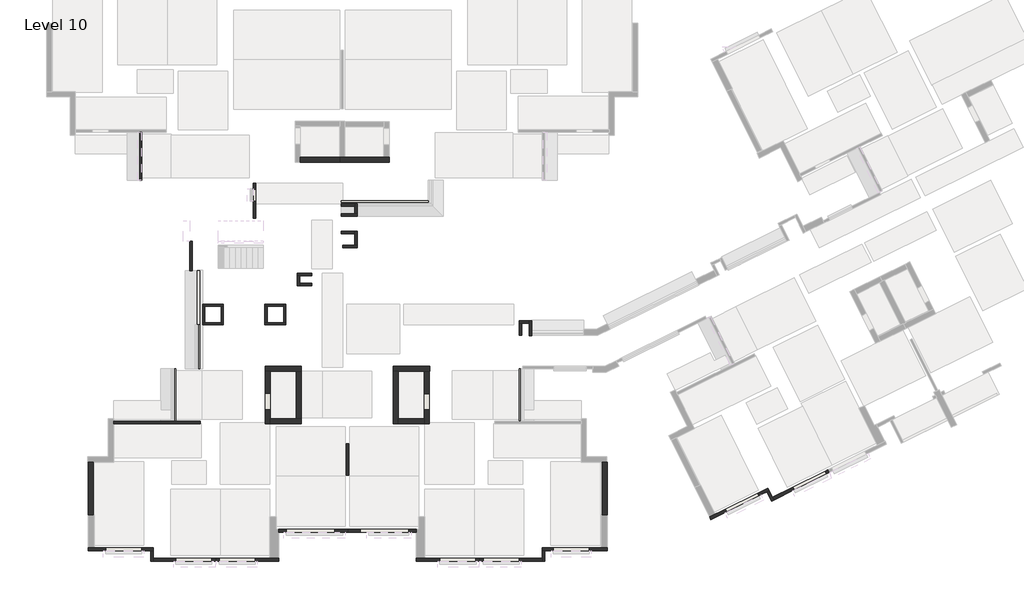
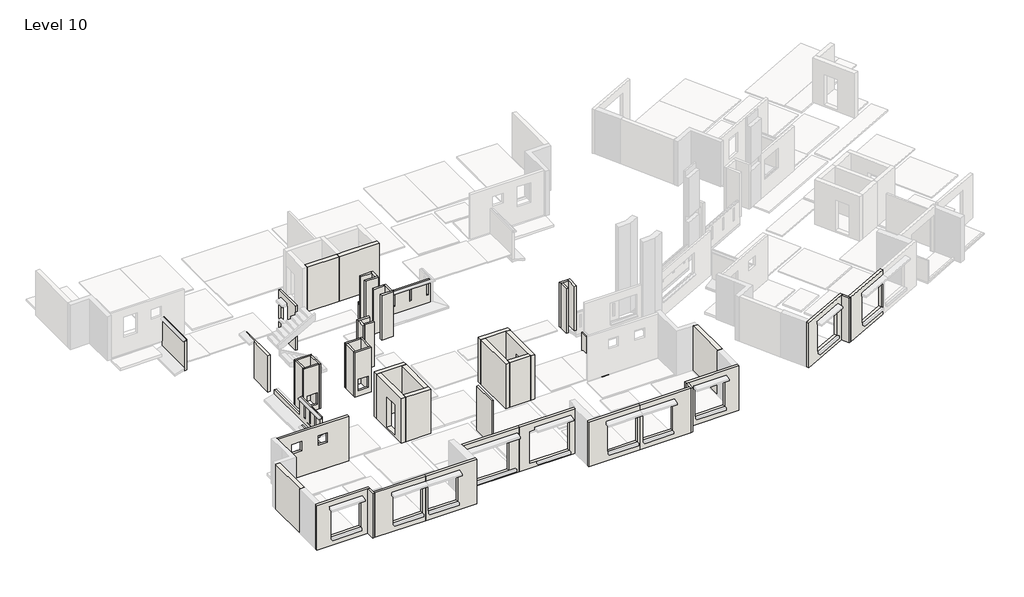
# One storey, part 1 of 8: 54 walls.
"""IFC4 building model written with IfcOpenShell, lengths in millimetres."""

from ifc_helpers import new_model, si_unit, frame, origin, place, context, project, spatial, polyline, outline, extrude, faceted_brep, element, save

model = new_model("IFC4")

# Units and contexts
model_context = context("Model", 3, world=origin())
ifc_project = project(units=[si_unit("LENGTHUNIT", "METRE", prefix="MILLI")], contexts=[model_context])

# Site, building, storey
site = spatial("IfcSite", under=ifc_project)
building = spatial("IfcBuilding", under=site)
storey = spatial("IfcBuildingStorey", under=building, Name="Level 10", Elevation=26000.0)

# Walls
placement = place(None, origin())
element("IfcWall", 1, at=placement, inside=storey, context=model_context, shape_type="SweptSolid", body=[
    extrude(outline(polyline([(102504.8886058, -64401.6352907), (100604.8886058, -64401.6352907), (100604.8886058, -64151.6352907), (102504.8886058, -64151.6352907), (102504.8886058, -64401.6352907)])), frame((0.0, 0.0, 26000.0), z_axis=(0.0, 0.0, 1.0), x_axis=(1.0, 0.0, 0.0)), (0.0, 0.0, 1.0), 2800.0),
])
element("IfcWall", 2, at=placement, inside=storey, context=model_context, shape_type="Brep", body=[
    faceted_brep([(105107.6264596, -74526.6352907, 26000.0), (105107.6264596, -77076.6352907, 26000.0), (105107.6264596, -77076.6352907, 28800.0), (105107.6264596, -74526.6352907, 28800.0), (105357.6264596, -74526.6352907, 26000.0), (105357.6264596, -74526.6352907, 28800.0), (105357.6264596, -76826.6352907, 28800.0), (105357.6264596, -77076.6352907, 28800.0), (105357.6264596, -77076.6352907, 26000.0), (105357.6264596, -76826.6352907, 26000.0)], [[[0, 1, 2, 3]], [[4, 5, 6, 7, 8, 9]], [[1, 0, 4, 9, 8]], [[3, 2, 7, 6, 5]], [[2, 1, 8, 7]], [[0, 3, 5, 4]]]),
])
element("IfcWall", 3, at=placement, inside=storey, context=model_context, shape_type="SweptSolid", body=[
    extrude(outline(polyline([(106607.6264596, -77076.6352907), (105357.6264596, -77076.6352907), (105357.6264596, -76826.6352907), (106607.6264596, -76826.6352907), (106607.6264596, -77076.6352907)])), frame((0.0, 0.0, 26000.0), z_axis=(0.0, 0.0, 1.0), x_axis=(1.0, 0.0, 0.0)), (0.0, 0.0, 1.0), 2800.0),
])
element("IfcWall", 4, at=placement, inside=storey, context=model_context, shape_type="Brep", body=[
    faceted_brep([(106857.6264596, -77076.6352907, 26000.0), (106857.6264596, -74526.6352907, 26000.0), (106857.6264596, -74526.6352907, 28800.0), (106857.6264596, -77076.6352907, 28800.0), (106857.6264596, -76391.6525844, 26100.0), (106857.6264596, -76391.6525844, 28000.0), (106857.6264596, -75601.6352907, 28000.0), (106857.6264596, -75601.6352907, 26100.0), (106607.6264596, -77076.6352907, 26000.0), (106607.6264596, -77076.6352907, 28800.0), (106607.6264596, -76826.6352907, 28800.0), (106607.6264596, -74526.6352907, 28800.0), (106607.6264596, -74526.6352907, 26000.0), (106607.6264596, -76826.6352907, 26000.0), (106607.6264596, -76391.6525844, 26100.0), (106607.6264596, -75601.6352907, 26100.0), (106607.6264596, -75601.6352907, 28000.0), (106607.6264596, -76391.6525844, 28000.0)], [[[0, 1, 2, 3], [4, 5, 6, 7]], [[8, 9, 10, 11, 12, 13], [14, 15, 16, 17]], [[2, 1, 12, 11]], [[1, 0, 8, 13, 12]], [[3, 2, 11, 10, 9]], [[5, 4, 14, 17]], [[6, 5, 17, 16]], [[7, 6, 16, 15]], [[4, 7, 15, 14]], [[0, 3, 9, 8]]]),
])
element("IfcWall", 5, at=placement, inside=storey, context=model_context, shape_type="Brep", body=[
    faceted_brep([(105106.9024596, -74526.6352907, 26000.0), (105107.6264596, -74526.6352907, 26000.0), (105357.6264596, -74526.6352907, 26000.0), (106607.6264596, -74526.6352907, 26000.0), (106857.6264596, -74526.6352907, 26000.0), (106866.9024596, -74526.6352907, 26000.0), (106866.9024596, -74526.6352907, 28800.0), (106857.6264596, -74526.6352907, 28800.0), (106607.6264596, -74526.6352907, 28800.0), (105357.6264596, -74526.6352907, 28800.0), (105107.6264596, -74526.6352907, 28800.0), (105106.9024596, -74526.6352907, 28800.0), (105106.9024596, -74276.6352907, 26000.0), (105106.9024596, -74276.6352907, 28800.0), (106866.9024596, -74276.6352907, 28800.0), (106866.9024596, -74276.6352907, 26000.0)], [[[0, 1, 2, 3, 4, 5, 6, 7, 8, 9, 10, 11]], [[12, 13, 14, 15]], [[5, 4, 3, 2, 1, 0, 12, 15]], [[6, 5, 15, 14]], [[11, 10, 9, 8, 7, 6, 14, 13]], [[0, 11, 13, 12]]]),
])
element("IfcWall", 6, at=placement, inside=storey, context=model_context, shape_type="SweptSolid", body=[
    extrude(outline(polyline([(-68228.4950347, 26000.0), (-69649.9555569, 26000.0), (-69649.9555569, 28300.0), (-67228.4950347, 28300.0), (-67228.4950347, 28200.0), (-68228.4950347, 28200.0), (-68228.4950347, 26000.0)])), frame((95241.1668295, 0.0, 0.0), z_axis=(1.0, 0.0, 0.0), x_axis=(0.0, 1.0, 0.0)), (0.0, 0.0, 1.0), 120.0),
])
element("IfcWall", 7, ObjectType="KP-1-A (2-15)", at=placement, inside=storey, context=model_context, shape_type="SweptSolid", body=[
    extrude(outline(polyline([(25656.0, 94556.8906058), (27050.0, 94556.8906058), (27050.0, 94511.8906058), (26950.0, 94511.8906058), (26950.0, 94436.8906058), (25656.0, 94436.8906058), (25656.0, 94556.8906058)])), frame((0.0, -76944.9555569, 0.0), z_axis=(0.0, 1.0, 0.0), x_axis=(0.0, 0.0, 1.0)), (0.0, 0.0, 1.0), 2543.3202662),
])
element("IfcWall", 8, ObjectType="KP-1-A (2-15) ..", at=placement, inside=storey, context=model_context, shape_type="Brep", body=[
    faceted_brep([(111206.8906058, -74401.6352907, 25500.0), (111206.8906058, -76944.9555569, 25500.0), (111206.8906058, -76944.9555569, 27050.0), (111206.8906058, -74401.6352907, 27050.0), (111326.8906058, -76944.9555569, 25500.0), (111326.8906058, -74401.6352907, 25500.0), (111326.8906058, -74401.6352907, 25656.0), (111326.8906058, -74401.6352907, 26950.0), (111326.8906058, -76944.9555569, 26950.0), (111326.8906058, -76944.9555569, 25656.0), (111251.8906058, -76944.9555569, 27050.0), (111251.8906058, -74401.6352907, 27050.0), (111251.8906058, -74401.6352907, 26950.0), (111251.8906058, -76944.9555569, 26950.0)], [[[0, 1, 2, 3]], [[4, 5, 6, 7, 8, 9]], [[1, 0, 5, 4]], [[3, 2, 10, 11]], [[0, 3, 11, 12, 7, 6, 5]], [[12, 13, 8, 7]], [[13, 12, 11, 10]], [[1, 4, 9, 8, 13, 10, 2]]]),
])
element("IfcWall", 9, ObjectType="KP13", at=placement, inside=storey, context=model_context, shape_type="Brep", body=[
    faceted_brep([(95736.1668295, -74399.9555569, 25600.0), (95736.1668295, -69649.9555569, 25600.0), (95736.1668295, -69649.9555569, 26000.0), (95736.1668295, -72274.9555569, 26000.0), (95736.1668295, -72274.9555569, 27150.0), (95736.1668295, -74399.9555569, 27150.0), (95736.1668295, -72857.4555569, 26125.0), (95736.1668295, -72857.4555569, 26900.0), (95736.1668295, -72757.4555569, 26900.0), (95736.1668295, -72757.4555569, 26125.0), (95736.1668295, -73387.4555569, 26125.0), (95736.1668295, -73387.4555569, 26900.0), (95736.1668295, -73287.4555569, 26900.0), (95736.1668295, -73287.4555569, 26125.0), (95736.1668295, -73917.4555569, 26125.0), (95736.1668295, -73917.4555569, 26900.0), (95736.1668295, -73817.4555569, 26900.0), (95736.1668295, -73817.4555569, 26125.0), (95616.1668295, -69649.9555569, 25600.0), (95616.1668295, -74399.9555569, 25600.0), (95616.1668295, -74399.9555569, 25756.0), (95616.1668295, -74399.9555569, 27050.0), (95616.1668295, -72274.9555569, 27050.0), (95616.1668295, -72274.9555569, 26000.0), (95616.1668295, -69649.9555569, 26000.0), (95616.1668295, -69649.9555569, 25756.0), (95616.1668295, -72857.4555569, 26900.0), (95616.1668295, -72857.4555569, 26125.0), (95616.1668295, -72757.4555569, 26125.0), (95616.1668295, -72757.4555569, 26900.0), (95616.1668295, -73387.4555569, 26900.0), (95616.1668295, -73387.4555569, 26125.0), (95616.1668295, -73287.4555569, 26125.0), (95616.1668295, -73287.4555569, 26900.0), (95616.1668295, -73917.4555569, 26900.0), (95616.1668295, -73917.4555569, 26125.0), (95616.1668295, -73817.4555569, 26125.0), (95616.1668295, -73817.4555569, 26900.0), (95691.1668295, -72274.9555569, 27150.0), (95691.1668295, -74399.9555569, 27150.0), (95691.1668295, -74399.9555569, 27050.0), (95691.1668295, -72274.9555569, 27050.0)], [[[0, 1, 2, 3, 4, 5], [6, 7, 8, 9], [10, 11, 12, 13], [14, 15, 16, 17]], [[18, 19, 20, 21, 22, 23, 24, 25], [26, 27, 28, 29], [30, 31, 32, 33], [34, 35, 36, 37]], [[1, 0, 19, 18]], [[2, 1, 18, 25, 24]], [[5, 4, 38, 39]], [[0, 5, 39, 40, 21, 20, 19]], [[7, 6, 27, 26]], [[8, 7, 26, 29]], [[9, 8, 29, 28]], [[6, 9, 28, 27]], [[11, 10, 31, 30]], [[12, 11, 30, 33]], [[13, 12, 33, 32]], [[10, 13, 32, 31]], [[15, 14, 35, 34]], [[16, 15, 34, 37]], [[17, 16, 37, 36]], [[14, 17, 36, 35]], [[40, 41, 22, 21]], [[41, 40, 39, 38]], [[3, 2, 24, 23]], [[4, 3, 23, 22, 41, 38]]]),
])
element("IfcWall", 10, ObjectType="KP2-A (2-15)", at=placement, inside=storey, context=model_context, shape_type="Brep", body=[
    faceted_brep([(106811.9024596, -66251.6158002, 25500.0), (102581.8906058, -66251.6158002, 25500.0), (102581.8906058, -66251.6158002, 27050.0), (106811.9024596, -66251.6158002, 27050.0), (106811.9024596, -66251.6158002, 25656.0), (105566.4024596, -66251.6158002, 26150.0), (105666.4024596, -66251.6158002, 26150.0), (105666.4024596, -66251.6158002, 26925.0), (105566.4024596, -66251.6158002, 26925.0), (106566.4024596, -66251.6158002, 26150.0), (106666.4024596, -66251.6158002, 26150.0), (106666.4024596, -66251.6158002, 26925.0), (106566.4024596, -66251.6158002, 26925.0), (104566.4024596, -66251.6158002, 26150.0), (104666.4024596, -66251.6158002, 26150.0), (104666.4024596, -66251.6158002, 26925.0), (104566.4024596, -66251.6158002, 26925.0), (103566.4024596, -66251.6158002, 26150.0), (103666.4024596, -66251.6158002, 26150.0), (103666.4024596, -66251.6158002, 26925.0), (103566.4024596, -66251.6158002, 26925.0), (102581.8906058, -66401.6158002, 25656.0), (106811.9024596, -66401.6158002, 25656.0), (106811.9024596, -66401.6158002, 26950.0), (102581.8906058, -66401.6158002, 26950.0), (105666.4024596, -66401.6158002, 26150.0), (105566.4024596, -66401.6158002, 26150.0), (105566.4024596, -66401.6158002, 26925.0), (105666.4024596, -66401.6158002, 26925.0), (106666.4024596, -66401.6158002, 26150.0), (106566.4024596, -66401.6158002, 26150.0), (106566.4024596, -66401.6158002, 26925.0), (106666.4024596, -66401.6158002, 26925.0), (104666.4024596, -66401.6158002, 26150.0), (104566.4024596, -66401.6158002, 26150.0), (104566.4024596, -66401.6158002, 26925.0), (104666.4024596, -66401.6158002, 26925.0), (103666.4024596, -66401.6158002, 26150.0), (103566.4024596, -66401.6158002, 26150.0), (103566.4024596, -66401.6158002, 26925.0), (103666.4024596, -66401.6158002, 26925.0), (106811.9024596, -66326.6158002, 27050.0), (106811.9024596, -66326.6158002, 26950.0), (106811.9024596, -66281.6158002, 25656.0), (106811.9024596, -66281.6158002, 25500.0), (102581.8906058, -66281.6158002, 25500.0), (102581.8906058, -66281.6158002, 25656.0), (102581.8906058, -66326.6158002, 26950.0), (102581.8906058, -66326.6158002, 27050.0)], [[[0, 1, 2, 3, 4], [5, 6, 7, 8], [9, 10, 11, 12], [13, 14, 15, 16], [17, 18, 19, 20]], [[21, 22, 23, 24], [25, 26, 27, 28], [29, 30, 31, 32], [33, 34, 35, 36], [37, 38, 39, 40]], [[4, 3, 41, 42, 23, 22, 43, 44, 0]], [[1, 0, 44, 45]], [[2, 1, 45, 46, 21, 24, 47, 48]], [[3, 2, 48, 41]], [[6, 5, 26, 25]], [[7, 6, 25, 28]], [[8, 7, 28, 27]], [[5, 8, 27, 26]], [[10, 9, 30, 29]], [[11, 10, 29, 32]], [[12, 11, 32, 31]], [[9, 12, 31, 30]], [[14, 13, 34, 33]], [[15, 14, 33, 36]], [[16, 15, 36, 35]], [[13, 16, 35, 34]], [[18, 17, 38, 37]], [[19, 18, 37, 40]], [[20, 19, 40, 39]], [[17, 20, 39, 38]], [[47, 42, 41, 48]], [[42, 47, 24, 23]], [[46, 43, 22, 21]], [[43, 46, 45, 44]]]),
])
element("IfcWall", 11, ObjectType="KP7-A (2-15)", at=placement, inside=storey, context=model_context, shape_type="SweptSolid", body=[
    extrude(outline(polyline([(25550.0, 92931.8906058), (27500.0, 92931.8906058), (27500.0, 92886.8906058), (27400.0, 92886.8906058), (27400.0, 92811.8906058), (25550.0, 92811.8906058), (25550.0, 92931.8906058)])), frame((0.0, -65276.6352907, 0.0), z_axis=(0.0, 1.0, 0.0), x_axis=(0.0, 0.0, 1.0)), (0.0, 0.0, 1.0), 2331.6797338),
])
element("IfcWall", 12, ObjectType="PHS-7B1", at=placement, inside=storey, context=model_context, shape_type="Brep", body=[
    faceted_brep([(102504.8886058, -64401.6352907, 26000.0), (104906.8906058, -64401.6352907, 26000.0), (104906.8906058, -64401.6352907, 28800.0), (102504.8886058, -64401.6352907, 28800.0), (102504.8886058, -64151.6352907, 26000.0), (102504.8886058, -64151.6352907, 28800.0), (102506.8906058, -64151.6352907, 28800.0), (102756.8906058, -64151.6352907, 28800.0), (104656.8906058, -64151.6352907, 28800.0), (104906.8906058, -64151.6352907, 28800.0), (104906.8906058, -64151.6352907, 26000.0), (104656.8906058, -64151.6352907, 26000.0), (102756.8906058, -64151.6352907, 26000.0), (102506.8906058, -64151.6352907, 26000.0)], [[[0, 1, 2, 3]], [[4, 5, 6, 7, 8, 9, 10, 11, 12, 13]], [[1, 0, 4, 13, 12, 11, 10]], [[3, 2, 9, 8, 7, 6, 5]], [[0, 3, 5, 4]], [[2, 1, 10, 9]]]),
])
element("IfcWall", 13, ObjectType="PHS-8B3", at=placement, inside=storey, context=model_context, shape_type="Brep", body=[
    faceted_brep([(98906.1666058, -74526.6352907, 26000.0), (98906.1666058, -77076.6352907, 26000.0), (98906.1666058, -77076.6352907, 28800.0), (98906.1666058, -74526.6352907, 28800.0), (98906.1666058, -76380.070119, 28000.0), (98906.1666058, -76380.070119, 26100.0), (98906.1666058, -75576.6352907, 26100.0), (98906.1666058, -75576.6352907, 28000.0), (99156.1666058, -74526.6352907, 26000.0), (99156.1666058, -74526.6352907, 28800.0), (99156.1666058, -76826.6352907, 28800.0), (99156.1666058, -77076.6352907, 28800.0), (99156.1666058, -77076.6352907, 26000.0), (99156.1666058, -76826.6352907, 26000.0), (99156.1666058, -76380.070119, 28000.0), (99156.1666058, -75576.6352907, 28000.0), (99156.1666058, -75576.6352907, 26100.0), (99156.1666058, -76380.070119, 26100.0)], [[[0, 1, 2, 3], [4, 5, 6, 7]], [[8, 9, 10, 11, 12, 13], [14, 15, 16, 17]], [[2, 1, 12, 11]], [[1, 0, 8, 13, 12]], [[3, 2, 11, 10, 9]], [[5, 4, 14, 17]], [[6, 5, 17, 16]], [[7, 6, 16, 15]], [[4, 7, 15, 14]], [[0, 3, 9, 8]]]),
])
element("IfcWall", 14, ObjectType="PHS-8B3", at=placement, inside=storey, context=model_context, shape_type="Brep", body=[
    faceted_brep([(99156.1666058, -77076.6352907, 26000.0), (100656.1666058, -77076.6352907, 26000.0), (100656.1666058, -77076.6352907, 28800.0), (99156.1666058, -77076.6352907, 28800.0), (99156.1666058, -76826.6352907, 26000.0), (99156.1666058, -76826.6352907, 28800.0), (100406.1666058, -76826.6352907, 28800.0), (100656.1666058, -76826.6352907, 28800.0), (100656.1666058, -76826.6352907, 26000.0), (100406.1666058, -76826.6352907, 26000.0)], [[[0, 1, 2, 3]], [[4, 5, 6, 7, 8, 9]], [[1, 0, 4, 9, 8]], [[3, 2, 7, 6, 5]], [[0, 3, 5, 4]], [[2, 1, 8, 7]]]),
])
element("IfcWall", 15, ObjectType="PHS-8B3", at=placement, inside=storey, context=model_context, shape_type="SweptSolid", body=[
    extrude(outline(polyline([(100656.1666058, -74526.6352907), (100656.1666058, -76826.6352907), (100406.1666058, -76826.6352907), (100406.1666058, -74526.6352907), (100656.1666058, -74526.6352907)])), frame((0.0, 0.0, 26000.0), z_axis=(0.0, 0.0, 1.0), x_axis=(1.0, 0.0, 0.0)), (0.0, 0.0, 1.0), 2800.0),
])
element("IfcWall", 16, ObjectType="PHS-8B3", at=placement, inside=storey, context=model_context, shape_type="Brep", body=[
    faceted_brep([(98906.1666058, -74526.6352907, 26000.0), (99156.1666058, -74526.6352907, 26000.0), (100406.1666058, -74526.6352907, 26000.0), (100656.1666058, -74526.6352907, 26000.0), (100656.8907569, -74526.6352907, 26000.0), (100656.8907569, -74526.6352907, 28800.0), (100656.1666058, -74526.6352907, 28800.0), (100406.1666058, -74526.6352907, 28800.0), (99156.1666058, -74526.6352907, 28800.0), (98906.1666058, -74526.6352907, 28800.0), (98906.1666058, -74276.6352907, 26000.0), (98906.1666058, -74276.6352907, 28800.0), (100656.8907569, -74276.6352907, 28800.0), (100656.8907569, -74276.6352907, 26000.0)], [[[0, 1, 2, 3, 4, 5, 6, 7, 8, 9]], [[10, 11, 12, 13]], [[4, 3, 2, 1, 0, 10, 13]], [[5, 4, 13, 12]], [[9, 8, 7, 6, 5, 12, 11]], [[0, 9, 11, 10]]]),
])
element("IfcWall", 17, ObjectType="Precast 100 wall for refuse chute", at=placement, inside=storey, context=model_context, shape_type="Brep", body=[
    faceted_brep([(95866.1668295, -71374.9555659, 26000.0), (95966.1668295, -71374.9555659, 26000.0), (96766.1668295, -71374.9555659, 26000.0), (96866.1668295, -71374.9555659, 26000.0), (96866.1668295, -71374.9555659, 28800.0), (96766.1668295, -71374.9555659, 28800.0), (95966.1668295, -71374.9555659, 28800.0), (95866.1668295, -71374.9555659, 28800.0), (95866.1668295, -71274.9555659, 26000.0), (95866.1668295, -71274.9555659, 28800.0), (96866.1668295, -71274.9555659, 28800.0), (96866.1668295, -71274.9555659, 26000.0)], [[[0, 1, 2, 3, 4, 5, 6, 7]], [[8, 9, 10, 11]], [[3, 2, 1, 0, 8, 11]], [[7, 6, 5, 4, 10, 9]], [[4, 3, 11, 10]], [[0, 7, 9, 8]]]),
])
element("IfcWall", 18, ObjectType="Precast 100 wall for refuse chute", at=placement, inside=storey, context=model_context, shape_type="Brep", body=[
    faceted_brep([(96766.1668295, -71374.9555659, 26000.0), (96766.1668295, -72174.9555569, 26000.0), (96766.1668295, -72274.9555569, 26000.0), (96766.1668295, -72274.9555569, 28800.0), (96766.1668295, -72174.9555569, 28800.0), (96766.1668295, -71374.9555659, 28800.0), (96866.1668295, -71374.9555659, 26000.0), (96866.1668295, -71374.9555659, 28800.0), (96866.1668295, -72274.9555569, 28800.0), (96866.1668295, -72274.9555569, 26000.0)], [[[0, 1, 2, 3, 4, 5]], [[6, 7, 8, 9]], [[2, 1, 0, 6, 9]], [[5, 4, 3, 8, 7]], [[0, 5, 7, 6]], [[3, 2, 9, 8]]]),
])
element("IfcWall", 19, ObjectType="Precast 100 wall for refuse chute", at=placement, inside=storey, context=model_context, shape_type="Brep", body=[
    faceted_brep([(96766.1668295, -72174.9555569, 26000.0), (95966.1668295, -72174.9555569, 26000.0), (95866.1668295, -72174.9555569, 26000.0), (95866.1668295, -72174.9555569, 28800.0), (95966.1668295, -72174.9555569, 28800.0), (96766.1668295, -72174.9555569, 28800.0), (96066.1668295, -72174.9555569, 26335.0), (96666.1668295, -72174.9555569, 26335.0), (96666.1668295, -72174.9555569, 27045.0), (96066.1668295, -72174.9555569, 27045.0), (96766.1668295, -72274.9555569, 26000.0), (96766.1668295, -72274.9555569, 28800.0), (95866.1668295, -72274.9555569, 28800.0), (95866.1668295, -72274.9555569, 26000.0), (96066.1668295, -72274.9555569, 26335.0), (96066.1668295, -72274.9555569, 27045.0), (96666.1668295, -72274.9555569, 27045.0), (96666.1668295, -72274.9555569, 26335.0)], [[[0, 1, 2, 3, 4, 5], [6, 7, 8, 9]], [[10, 11, 12, 13], [14, 15, 16, 17]], [[0, 5, 11, 10]], [[3, 2, 13, 12]], [[2, 1, 0, 10, 13]], [[5, 4, 3, 12, 11]], [[7, 6, 14, 17]], [[8, 7, 17, 16]], [[9, 8, 16, 15]], [[6, 9, 15, 14]]]),
])
element("IfcWall", 20, ObjectType="Precast 100 wall for refuse chute", at=placement, inside=storey, context=model_context, shape_type="SweptSolid", body=[
    extrude(outline(polyline([(95966.1668295, -71374.9555659), (95966.1668295, -72174.9555569), (95866.1668295, -72174.9555569), (95866.1668295, -71374.9555659), (95966.1668295, -71374.9555659)])), frame((0.0, 0.0, 26000.0), z_axis=(0.0, 0.0, 1.0), x_axis=(1.0, 0.0, 0.0)), (0.0, 0.0, 1.0), 2800.0),
])
element("IfcWall", 21, ObjectType="Precast 100 wall for refuse chute", at=placement, inside=storey, context=model_context, shape_type="Brep", body=[
    faceted_brep([(98891.1670278, -72274.9555569, 26000.0), (99891.1670278, -72274.9555569, 26000.0), (99891.1670278, -72274.9555569, 28800.0), (98891.1670278, -72274.9555569, 28800.0), (99691.1670278, -72274.9555569, 26335.0), (99091.1670278, -72274.9555569, 26335.0), (99091.1670278, -72274.9555569, 27045.0), (99691.1670278, -72274.9555569, 27045.0), (98891.1670278, -72174.9555569, 26000.0), (98891.1670278, -72174.9555569, 28800.0), (98991.1670278, -72174.9555569, 28800.0), (99791.1670278, -72174.9555569, 28800.0), (99891.1670278, -72174.9555569, 28800.0), (99891.1670278, -72174.9555569, 26000.0), (99791.1670278, -72174.9555569, 26000.0), (98991.1670278, -72174.9555569, 26000.0), (99691.1670278, -72174.9555569, 26335.0), (99691.1670278, -72174.9555569, 27045.0), (99091.1670278, -72174.9555569, 27045.0), (99091.1670278, -72174.9555569, 26335.0)], [[[0, 1, 2, 3], [4, 5, 6, 7]], [[8, 9, 10, 11, 12, 13, 14, 15], [16, 17, 18, 19]], [[2, 1, 13, 12]], [[0, 3, 9, 8]], [[1, 0, 8, 15, 14, 13]], [[3, 2, 12, 11, 10, 9]], [[5, 4, 16, 19]], [[6, 5, 19, 18]], [[7, 6, 18, 17]], [[4, 7, 17, 16]]]),
])
element("IfcWall", 22, ObjectType="Precast 100 wall for refuse chute", at=placement, inside=storey, context=model_context, shape_type="Brep", body=[
    faceted_brep([(99891.1670278, -72174.9555569, 26000.0), (99891.1670278, -71274.9555659, 26000.0), (99891.1670278, -71274.9555659, 28800.0), (99891.1670278, -72174.9555569, 28800.0), (99791.1670278, -72174.9555569, 26000.0), (99791.1670278, -72174.9555569, 28800.0), (99791.1670278, -71374.9555659, 28800.0), (99791.1670278, -71274.9555659, 28800.0), (99791.1670278, -71274.9555659, 26000.0), (99791.1670278, -71374.9555659, 26000.0)], [[[0, 1, 2, 3]], [[4, 5, 6, 7, 8, 9]], [[1, 0, 4, 9, 8]], [[3, 2, 7, 6, 5]], [[0, 3, 5, 4]], [[2, 1, 8, 7]]]),
])
element("IfcWall", 23, ObjectType="Precast 100 wall for refuse chute", at=placement, inside=storey, context=model_context, shape_type="Brep", body=[
    faceted_brep([(99791.1670278, -71274.9555659, 26000.0), (98891.1670278, -71274.9555659, 26000.0), (98891.1670278, -71274.9555659, 28800.0), (99791.1670278, -71274.9555659, 28800.0), (99791.1670278, -71374.9555659, 26000.0), (99791.1670278, -71374.9555659, 28800.0), (98991.1670278, -71374.9555659, 28800.0), (98891.1670278, -71374.9555659, 28800.0), (98891.1670278, -71374.9555659, 26000.0), (98991.1670278, -71374.9555659, 26000.0)], [[[0, 1, 2, 3]], [[4, 5, 6, 7, 8, 9]], [[1, 0, 4, 9, 8]], [[3, 2, 7, 6, 5]], [[0, 3, 5, 4]], [[2, 1, 8, 7]]]),
])
element("IfcWall", 24, ObjectType="Precast 100 wall for refuse chute", at=placement, inside=storey, context=model_context, shape_type="SweptSolid", body=[
    extrude(outline(polyline([(98891.1670278, -72174.9555569), (98891.1670278, -71374.9555659), (98991.1670278, -71374.9555659), (98991.1670278, -72174.9555569), (98891.1670278, -72174.9555569)])), frame((0.0, 0.0, 26000.0), z_axis=(0.0, 0.0, 1.0), x_axis=(1.0, 0.0, 0.0)), (0.0, 0.0, 1.0), 2800.0),
])
element("IfcWall", 25, ObjectType="Precast 120wall for duct", at=placement, inside=storey, context=model_context, shape_type="Brep", body=[
    faceted_brep([(102581.8906058, -67000.3508468, 26000.0), (103355.3127713, -67000.3508468, 26000.0), (103355.3127713, -67000.3508468, 28800.0), (102581.8906058, -67000.3508468, 28800.0), (102581.8906058, -66880.3508468, 26000.0), (102581.8906058, -66880.3508468, 28800.0), (103235.3127713, -66880.3508468, 28800.0), (103355.3127713, -66880.3508468, 28800.0), (103355.3127713, -66880.3508468, 26000.0), (103235.3127713, -66880.3508468, 26000.0)], [[[0, 1, 2, 3]], [[4, 5, 6, 7, 8, 9]], [[1, 0, 4, 9, 8]], [[3, 2, 7, 6, 5]], [[0, 3, 5, 4]], [[2, 1, 8, 7]]]),
])
element("IfcWall", 26, ObjectType="Precast 120wall for duct", at=placement, inside=storey, context=model_context, shape_type="Brep", body=[
    faceted_brep([(103355.3127713, -66880.3508468, 26000.0), (103355.3127713, -66401.6158002, 26000.0), (103355.3127713, -66401.6158002, 28800.0), (103355.3127713, -66880.3508468, 28800.0), (103235.3127713, -66880.3508468, 26000.0), (103235.3127713, -66880.3508468, 28800.0), (103235.3127713, -66521.6158002, 28800.0), (103235.3127713, -66401.6158002, 28800.0), (103235.3127713, -66401.6158002, 26000.0), (103235.3127713, -66521.6158002, 26000.0)], [[[0, 1, 2, 3]], [[4, 5, 6, 7, 8, 9]], [[1, 0, 4, 9, 8]], [[3, 2, 7, 6, 5]], [[0, 3, 5, 4]], [[2, 1, 8, 7]]]),
])
element("IfcWall", 27, ObjectType="Precast 120wall for duct", at=placement, inside=storey, context=model_context, shape_type="SweptSolid", body=[
    extrude(outline(polyline([(102581.8906058, -66401.6158002), (103235.3127713, -66401.6158002), (103235.3127713, -66521.6158002), (102581.8906058, -66521.6158002), (102581.8906058, -66401.6158002)])), frame((0.0, 0.0, 26000.0), z_axis=(0.0, 0.0, 1.0), x_axis=(1.0, 0.0, 0.0)), (0.0, 0.0, 1.0), 2800.0),
])
element("IfcWall", 28, ObjectType="Precast 120wall for duct", at=placement, inside=storey, context=model_context, shape_type="Brep", body=[
    faceted_brep([(102656.8906058, -68526.6352907, 26000.0), (103355.3127713, -68526.6352907, 26000.0), (103355.3127713, -68526.6352907, 28800.0), (102656.8906058, -68526.6352907, 28800.0), (102656.8906058, -68406.6352907, 26000.0), (102656.8906058, -68406.6352907, 28800.0), (103235.3127713, -68406.6352907, 28800.0), (103355.3127713, -68406.6352907, 28800.0), (103355.3127713, -68406.6352907, 26000.0), (103235.3127713, -68406.6352907, 26000.0)], [[[0, 1, 2, 3]], [[4, 5, 6, 7, 8, 9]], [[1, 0, 4, 9, 8]], [[3, 2, 7, 6, 5]], [[0, 3, 5, 4]], [[2, 1, 8, 7]]]),
])
element("IfcWall", 29, ObjectType="Precast 120wall for duct", at=placement, inside=storey, context=model_context, shape_type="Brep", body=[
    faceted_brep([(103355.3127713, -68406.6352907, 26000.0), (103355.3127713, -67736.6156417, 26000.0), (103355.3127713, -67736.6156417, 28800.0), (103355.3127713, -68406.6352907, 28800.0), (103235.3127713, -68406.6352907, 26000.0), (103235.3127713, -68406.6352907, 28800.0), (103235.3127713, -67856.6156417, 28800.0), (103235.3127713, -67736.6156417, 28800.0), (103235.3127713, -67736.6156417, 26000.0), (103235.3127713, -67856.6156417, 26000.0)], [[[0, 1, 2, 3]], [[4, 5, 6, 7, 8, 9]], [[1, 0, 4, 9, 8]], [[3, 2, 7, 6, 5]], [[0, 3, 5, 4]], [[2, 1, 8, 7]]]),
])
element("IfcWall", 30, ObjectType="Precast 120wall for duct", at=placement, inside=storey, context=model_context, shape_type="SweptSolid", body=[
    extrude(outline(polyline([(102581.8906058, -67736.6156417), (103235.3127713, -67736.6156417), (103235.3127713, -67856.6156417), (102581.8906058, -67856.6156417), (102581.8906058, -67736.6156417)])), frame((0.0, 0.0, 26000.0), z_axis=(0.0, 0.0, 1.0), x_axis=(1.0, 0.0, 0.0)), (0.0, 0.0, 1.0), 2800.0),
])
element("IfcWall", 31, ObjectType="Precast 120wall for duct", at=placement, inside=storey, context=model_context, shape_type="Brep", body=[
    faceted_brep([(111806.9024596, -72796.5914136, 26000.0), (111806.9024596, -72076.5914136, 26000.0), (111806.9024596, -72076.5914136, 28800.0), (111806.9024596, -72796.5914136, 28800.0), (111686.9024596, -72796.5914136, 26000.0), (111686.9024596, -72796.5914136, 28800.0), (111686.9024596, -72196.5914136, 28800.0), (111686.9024596, -72076.5914136, 28800.0), (111686.9024596, -72076.5914136, 26000.0), (111686.9024596, -72196.5914136, 26000.0)], [[[0, 1, 2, 3]], [[4, 5, 6, 7, 8, 9]], [[1, 0, 4, 9, 8]], [[3, 2, 7, 6, 5]], [[0, 3, 5, 4]], [[2, 1, 8, 7]]]),
])
element("IfcWall", 32, ObjectType="Precast 120wall for duct", at=placement, inside=storey, context=model_context, shape_type="Brep", body=[
    faceted_brep([(111686.9024596, -72076.5914136, 26000.0), (111206.8906058, -72076.5914136, 26000.0), (111206.8906058, -72076.5914136, 28800.0), (111686.9024596, -72076.5914136, 28800.0), (111686.9024596, -72196.5914136, 26000.0), (111686.9024596, -72196.5914136, 28800.0), (111326.8906058, -72196.5914136, 28800.0), (111206.8906058, -72196.5914136, 28800.0), (111206.8906058, -72196.5914136, 26000.0), (111326.8906058, -72196.5914136, 26000.0)], [[[0, 1, 2, 3]], [[4, 5, 6, 7, 8, 9]], [[1, 0, 4, 9, 8]], [[3, 2, 7, 6, 5]], [[0, 3, 5, 4]], [[2, 1, 8, 7]]]),
])
element("IfcWall", 33, ObjectType="Precast 120wall for duct", at=placement, inside=storey, context=model_context, shape_type="SweptSolid", body=[
    extrude(outline(polyline([(111206.8906058, -72776.6352907), (111206.8906058, -72196.5914136), (111326.8906058, -72196.5914136), (111326.8906058, -72776.6352907), (111206.8906058, -72776.6352907)])), frame((0.0, 0.0, 26000.0), z_axis=(0.0, 0.0, 1.0), x_axis=(1.0, 0.0, 0.0)), (0.0, 0.0, 1.0), 2800.0),
])
element("IfcWall", 34, ObjectType="Precast 120wall for duct", at=placement, inside=storey, context=model_context, shape_type="Brep", body=[
    faceted_brep([(101166.1668295, -69774.9555569, 26000.0), (100466.1668295, -69774.9555569, 26000.0), (100466.1668295, -69774.9555569, 28800.0), (101166.1668295, -69774.9555569, 28800.0), (101166.1668295, -69894.9555569, 26000.0), (101166.1668295, -69894.9555569, 28800.0), (100586.1668295, -69894.9555569, 28800.0), (100466.1668295, -69894.9555569, 28800.0), (100466.1668295, -69894.9555569, 26000.0), (100586.1668295, -69894.9555569, 26000.0)], [[[0, 1, 2, 3]], [[4, 5, 6, 7, 8, 9]], [[1, 0, 4, 9, 8]], [[3, 2, 7, 6, 5]], [[0, 3, 5, 4]], [[2, 1, 8, 7]]]),
])
element("IfcWall", 35, ObjectType="Precast 120wall for duct", at=placement, inside=storey, context=model_context, shape_type="Brep", body=[
    faceted_brep([(100466.1668295, -69894.9555569, 26000.0), (100466.1668295, -70374.9097411, 26000.0), (100466.1668295, -70374.9097411, 28800.0), (100466.1668295, -69894.9555569, 28800.0), (100586.1668295, -69894.9555569, 26000.0), (100586.1668295, -69894.9555569, 28800.0), (100586.1668295, -70254.9097411, 28800.0), (100586.1668295, -70374.9097411, 28800.0), (100586.1668295, -70374.9097411, 26000.0), (100586.1668295, -70254.9097411, 26000.0)], [[[0, 1, 2, 3]], [[4, 5, 6, 7, 8, 9]], [[1, 0, 4, 9, 8]], [[3, 2, 7, 6, 5]], [[0, 3, 5, 4]], [[2, 1, 8, 7]]]),
])
element("IfcWall", 36, ObjectType="Precast 120wall for duct", at=placement, inside=storey, context=model_context, shape_type="SweptSolid", body=[
    extrude(outline(polyline([(101166.1668295, -70374.9097411), (100586.1668295, -70374.9097411), (100586.1668295, -70254.9097411), (101166.1668295, -70254.9097411), (101166.1668295, -70374.9097411)])), frame((0.0, 0.0, 26000.0), z_axis=(0.0, 0.0, 1.0), x_axis=(1.0, 0.0, 0.0)), (0.0, 0.0, 1.0), 2800.0),
])
element("IfcWall", 37, ObjectType="Precast wall 150", at=placement, inside=storey, context=model_context, shape_type="Brep", body=[
    faceted_brep([(120500.4477156, -81716.9196879, 26000.0), (123214.5476536, -80369.6287783, 26000.0), (123322.0330707, -80316.2725538, 26000.0), (123322.0330707, -80316.2725538, 28800.0), (123214.5476536, -80369.6287783, 28800.0), (120500.4477156, -81716.9196879, 28800.0), (121261.8027118, -81338.9797856, 26550.0), (121261.8027118, -81338.9797856, 28300.0), (122829.2982923, -80560.8682221, 28300.0), (122829.2982923, -80560.8682221, 26550.0), (123255.3824622, -80181.8936163, 26000.0), (120433.7524388, -81582.5629239, 26000.0), (120433.7524388, -81582.5629239, 28800.0), (123255.3824622, -80181.8936163, 28800.0), (121195.107435, -81204.6230216, 28300.0), (121195.107435, -81204.6230216, 26550.0), (122762.6030154, -80426.511458, 26550.0), (122762.6030154, -80426.511458, 28300.0)], [[[0, 1, 2, 3, 4, 5], [6, 7, 8, 9]], [[10, 11, 12, 13], [14, 15, 16, 17]], [[2, 1, 0, 11, 10]], [[5, 4, 3, 13, 12]], [[0, 5, 12, 11]], [[7, 6, 15, 14]], [[8, 7, 14, 17]], [[9, 8, 17, 16]], [[6, 9, 16, 15]], [[3, 2, 10, 13]]]),
])
element("IfcWall", 38, ObjectType="Precast wall 150", at=placement, inside=storey, context=model_context, shape_type="Brep", body=[
    faceted_brep([(123544.2194806, -80764.2380616, 26000.0), (126231.7980837, -79431.225964, 26000.0), (126231.7980837, -79431.225964, 28300.0), (126231.7980837, -79431.225964, 28480.3847577), (126231.7980837, -79431.225964, 28800.0), (123544.2194806, -80764.2380616, 28800.0), (124529.6649684, -80275.4669591, 26550.0), (124529.6649684, -80275.4669591, 28300.0), (126097.4191536, -79497.8765689, 28300.0), (126097.4191536, -79497.8765689, 26550.0), (126165.1474788, -79296.8470339, 26000.0), (123477.5688757, -80629.8591314, 26000.0), (123477.5688757, -80629.8591314, 28800.0), (126165.1474788, -79296.8470339, 28800.0), (124463.0143635, -80141.088029, 28300.0), (124463.0143635, -80141.088029, 26550.0), (126030.7685487, -79363.4976388, 26550.0), (126030.7685487, -79363.4976388, 28300.0)], [[[0, 1, 2, 3, 4, 5], [6, 7, 8, 9]], [[10, 11, 12, 13], [14, 15, 16, 17]], [[1, 0, 11, 10]], [[5, 4, 13, 12]], [[7, 6, 15, 14]], [[8, 7, 14, 17]], [[9, 8, 17, 16]], [[6, 9, 16, 15]], [[1, 10, 13, 4, 3, 2]], [[0, 5, 12, 11]]]),
])
element("IfcWall", 39, ObjectType="Precast wall 150", at=placement, inside=storey, context=model_context, shape_type="Brep", body=[
    faceted_brep([(115466.1668295, -83074.9555569, 26000.0), (112316.1786833, -83074.9555569, 26000.0), (112316.1786833, -83074.9555569, 28800.0), (115466.1668295, -83074.9555569, 28800.0), (114616.1668295, -83074.9555569, 26550.0), (114616.1668295, -83074.9555569, 28300.0), (112866.1668295, -83074.9555569, 28300.0), (112866.1668295, -83074.9555569, 26550.0), (115466.1668295, -83224.9555569, 26000.0), (115466.1668295, -83224.9555569, 28800.0), (112436.1786833, -83224.9555569, 28800.0), (112316.1786833, -83224.9555569, 28800.0), (112316.1786833, -83224.9555569, 26000.0), (112436.1786833, -83224.9555569, 26000.0), (114616.1668295, -83224.9555569, 26550.0), (112866.1668295, -83224.9555569, 26550.0), (112866.1668295, -83224.9555569, 28300.0), (114616.1668295, -83224.9555569, 28300.0)], [[[0, 1, 2, 3], [4, 5, 6, 7]], [[8, 9, 10, 11, 12, 13], [14, 15, 16, 17]], [[1, 0, 8, 13, 12]], [[3, 2, 11, 10, 9]], [[0, 3, 9, 8]], [[5, 4, 14, 17]], [[6, 5, 17, 16]], [[7, 6, 16, 15]], [[4, 7, 15, 14]], [[2, 1, 12, 11]]]),
])
element("IfcWall", 40, ObjectType="Precast wall 150", at=placement, inside=storey, context=model_context, shape_type="Brep", body=[
    faceted_brep([(112316.1786833, -83574.9555569, 26000.0), (109276.1786833, -83574.9555569, 26000.0), (109276.1786833, -83574.9555569, 28800.0), (112316.1786833, -83574.9555569, 28800.0), (111216.1786833, -83574.9555569, 26550.0), (111216.1786833, -83574.9555569, 28300.0), (109466.1786833, -83574.9555569, 28300.0), (109466.1786833, -83574.9555569, 26550.0), (112316.1786833, -83724.9555569, 26000.0), (112316.1786833, -83724.9555569, 28800.0), (109276.1786833, -83724.9555569, 28800.0), (109276.1786833, -83724.9555569, 28480.3847577), (109276.1786833, -83724.9555569, 28300.0), (109276.1786833, -83724.9555569, 26000.0), (111216.1786833, -83724.9555569, 26550.0), (109466.1786833, -83724.9555569, 26550.0), (109466.1786833, -83724.9555569, 28300.0), (111216.1786833, -83724.9555569, 28300.0)], [[[0, 1, 2, 3], [4, 5, 6, 7]], [[8, 9, 10, 11, 12, 13], [14, 15, 16, 17]], [[1, 0, 8, 13]], [[3, 2, 10, 9]], [[5, 4, 14, 17]], [[6, 5, 17, 16]], [[7, 6, 16, 15]], [[4, 7, 15, 14]], [[1, 13, 12, 11, 10, 2]], [[0, 3, 9, 8]]]),
])
element("IfcWall", 41, ObjectType="Precast wall 150", at=placement, inside=storey, context=model_context, shape_type="Brep", body=[
    faceted_brep([(90316.1668295, -83224.9555569, 26000.0), (93346.1549757, -83224.9555569, 26000.0), (93466.1549757, -83224.9555569, 26000.0), (93466.1549757, -83224.9555569, 28800.0), (93346.1549757, -83224.9555569, 28800.0), (90316.1668295, -83224.9555569, 28800.0), (91166.1668295, -83224.9555569, 26550.0), (91166.1668295, -83224.9555569, 28300.0), (92916.1668295, -83224.9555569, 28300.0), (92916.1668295, -83224.9555569, 26550.0), (90316.1668295, -83074.9555569, 26000.0), (90316.1668295, -83074.9555569, 28800.0), (93466.1549757, -83074.9555569, 28800.0), (93466.1549757, -83074.9555569, 26000.0), (91166.1668295, -83074.9555569, 26550.0), (92916.1668295, -83074.9555569, 26550.0), (92916.1668295, -83074.9555569, 28300.0), (91166.1668295, -83074.9555569, 28300.0)], [[[0, 1, 2, 3, 4, 5], [6, 7, 8, 9]], [[10, 11, 12, 13], [14, 15, 16, 17]], [[2, 1, 0, 10, 13]], [[5, 4, 3, 12, 11]], [[0, 5, 11, 10]], [[7, 6, 14, 17]], [[8, 7, 17, 16]], [[9, 8, 16, 15]], [[6, 9, 15, 14]], [[3, 2, 13, 12]]]),
])
element("IfcWall", 42, ObjectType="Precast wall 150", at=placement, inside=storey, context=model_context, shape_type="Brep", body=[
    faceted_brep([(93466.1549757, -83724.9555569, 26000.0), (96506.1549757, -83724.9555569, 26000.0), (96506.1549757, -83724.9555569, 28300.0), (96506.1549757, -83724.9555569, 28480.3847577), (96506.1549757, -83724.9555569, 28800.0), (93466.1549757, -83724.9555569, 28800.0), (94566.1549757, -83724.9555569, 26550.0), (94566.1549757, -83724.9555569, 28300.0), (96316.1549757, -83724.9555569, 28300.0), (96316.1549757, -83724.9555569, 26550.0), (93466.1549757, -83574.9555569, 26000.0), (93466.1549757, -83574.9555569, 28800.0), (96506.1549757, -83574.9555569, 28800.0), (96506.1549757, -83574.9555569, 26000.0), (94566.1549757, -83574.9555569, 26550.0), (96316.1549757, -83574.9555569, 26550.0), (96316.1549757, -83574.9555569, 28300.0), (94566.1549757, -83574.9555569, 28300.0)], [[[0, 1, 2, 3, 4, 5], [6, 7, 8, 9]], [[10, 11, 12, 13], [14, 15, 16, 17]], [[1, 0, 10, 13]], [[5, 4, 12, 11]], [[7, 6, 14, 17]], [[8, 7, 17, 16]], [[9, 8, 16, 15]], [[6, 9, 15, 14]], [[1, 13, 12, 4, 3, 2]], [[0, 5, 11, 10]]]),
])
element("IfcWall", 43, ObjectType="Precast wall 150", at=placement, inside=storey, context=model_context, shape_type="Brep", body=[
    faceted_brep([(106221.1786833, -83574.9555569, 28800.0), (109276.1786833, -83574.9555569, 28800.0), (109276.1786833, -83574.9555569, 26000.0), (106221.1786833, -83574.9555569, 26000.0), (109116.1786833, -83574.9555569, 26550.0), (109116.1786833, -83574.9555569, 28300.0), (107366.1786833, -83574.9555569, 28300.0), (107366.1786833, -83574.9555569, 26550.0), (106221.1786833, -83724.9555569, 28800.0), (106221.1786833, -83724.9555569, 26000.0), (109276.1786833, -83724.9555569, 26000.0), (109276.1786833, -83724.9555569, 28300.0), (109276.1786833, -83724.9555569, 28480.3847577), (109276.1786833, -83724.9555569, 28800.0), (109116.1786833, -83724.9555569, 26550.0), (107366.1786833, -83724.9555569, 26550.0), (107366.1786833, -83724.9555569, 28300.0), (109116.1786833, -83724.9555569, 28300.0)], [[[0, 1, 2, 3], [4, 5, 6, 7]], [[8, 9, 10, 11, 12, 13], [14, 15, 16, 17]], [[1, 0, 8, 13]], [[5, 4, 14, 17]], [[7, 6, 16, 15]], [[0, 3, 9, 8]], [[6, 5, 17, 16]], [[4, 7, 15, 14]], [[3, 2, 10, 9]], [[1, 13, 12, 11, 10, 2]]]),
])
element("IfcWall", 44, ObjectType="Precast wall 150", at=placement, inside=storey, context=model_context, shape_type="Brep", body=[
    faceted_brep([(99561.1549757, -83724.9555569, 28800.0), (96506.1549757, -83724.9555569, 28800.0), (96506.1549757, -83724.9555569, 28480.3847577), (96506.1549757, -83724.9555569, 28300.0), (96506.1549757, -83724.9555569, 26000.0), (99561.1549757, -83724.9555569, 26000.0), (96666.1549757, -83724.9555569, 26550.0), (96666.1549757, -83724.9555569, 28300.0), (98416.1549757, -83724.9555569, 28300.0), (98416.1549757, -83724.9555569, 26550.0), (99561.1549757, -83574.9555569, 28800.0), (99561.1549757, -83574.9555569, 26000.0), (96506.1549757, -83574.9555569, 26000.0), (96506.1549757, -83574.9555569, 28800.0), (96666.1549757, -83574.9555569, 26550.0), (98416.1549757, -83574.9555569, 26550.0), (98416.1549757, -83574.9555569, 28300.0), (96666.1549757, -83574.9555569, 28300.0)], [[[0, 1, 2, 3, 4, 5], [6, 7, 8, 9]], [[10, 11, 12, 13], [14, 15, 16, 17]], [[1, 0, 10, 13]], [[7, 6, 14, 17]], [[9, 8, 16, 15]], [[0, 5, 11, 10]], [[8, 7, 17, 16]], [[6, 9, 15, 14]], [[5, 4, 12, 11]], [[1, 13, 12, 4, 3, 2]]]),
])
element("IfcWall", 45, ObjectType="Precast wall 150 (300) Height", at=placement, inside=storey, context=model_context, shape_type="Brep", body=[
    faceted_brep([(106227.3508381, -82174.9555569, 26000.0), (102891.1668295, -82174.9555569, 26000.0), (102891.1668295, -82174.9555569, 28800.0), (106227.3508381, -82174.9555569, 28800.0), (105867.3508381, -82174.9555569, 26300.0), (105867.3508381, -82174.9555569, 28300.0), (103517.3508381, -82174.9555569, 28300.0), (103517.3508381, -82174.9555569, 26300.0), (106227.3508381, -82324.9555569, 26000.0), (106227.3508381, -82324.9555569, 28800.0), (102891.1668295, -82324.9555569, 28800.0), (102891.1668295, -82324.9555569, 26000.0), (105867.3508381, -82324.9555569, 26300.0), (103925.73659, -82324.9555569, 26300.0), (103517.3508381, -82324.9555569, 26300.0), (103517.3508381, -82324.9555569, 28300.0), (103817.3508381, -82324.9555569, 28300.0), (105867.3508381, -82324.9555569, 28300.0)], [[[0, 1, 2, 3], [4, 5, 6, 7]], [[8, 9, 10, 11], [12, 13, 14, 15, 16, 17]], [[1, 0, 8, 11]], [[2, 1, 11, 10]], [[3, 2, 10, 9]], [[0, 3, 9, 8]], [[5, 4, 12, 17]], [[6, 5, 17, 16, 15]], [[7, 6, 15, 14]], [[4, 7, 14, 13, 12]]]),
])
element("IfcWall", 46, ObjectType="Precast wall 150 (300) Height", at=placement, inside=storey, context=model_context, shape_type="SweptSolid", body=[
    extrude(outline(polyline([(28800.0, 99561.1668295), (26000.0, 99561.1668295), (26000.0, 102891.1668295), (28800.0, 102891.1668295), (28800.0, 99561.1668295)]), holes=[polyline([(26300.0, 102267.3508381), (26300.0, 99917.3508381), (28300.0, 99917.3508381), (28300.0, 102267.3508381), (26300.0, 102267.3508381)])]), frame((0.0, -82324.9555569, 0.0), z_axis=(0.0, 1.0, 0.0), x_axis=(0.0, 0.0, 1.0)), (0.0, 0.0, 1.0), 150.0),
])
element("IfcWall", 47, ObjectType="Precast wall 250", at=placement, inside=storey, context=model_context, shape_type="SweptSolid", body=[
    extrude(outline(polyline([(115476.1668295, -78933.2758231), (115476.1668295, -81473.2758231), (115226.1668295, -81473.2758231), (115226.1668295, -78933.2758231), (115476.1668295, -78933.2758231)])), frame((0.0, 0.0, 26000.0), z_axis=(0.0, 0.0, 1.0), x_axis=(1.0, 0.0, 0.0)), (0.0, 0.0, 1.0), 2800.0),
])
element("IfcWall", 48, ObjectType="Precast wall 250", at=placement, inside=storey, context=model_context, shape_type="SweptSolid", body=[
    extrude(outline(polyline([(90575.4430532, -78933.2758231), (90575.4430532, -81473.2758231), (90325.4430532, -81473.2758231), (90325.4430532, -78933.2758231), (90575.4430532, -78933.2758231)])), frame((0.0, 0.0, 26000.0), z_axis=(0.0, 0.0, 1.0), x_axis=(1.0, 0.0, 0.0)), (0.0, 0.0, 1.0), 2800.0),
])
element("IfcWall", 49, ObjectType="precast wall 100", at=placement, inside=storey, context=model_context, shape_type="SweptSolid", body=[
    extrude(outline(polyline([(102941.1668295, -78029.0581508), (102941.1668295, -79564.9555569), (102841.1668295, -79564.9555569), (102841.1668295, -78029.0581508), (102941.1668295, -78029.0581508)])), frame((0.0, 0.0, 26000.0), z_axis=(0.0, 0.0, 1.0), x_axis=(1.0, 0.0, 0.0)), (0.0, 0.0, 1.0), 2800.0),
])
element("IfcWall", 50, ObjectType="precast wall 120", at=placement, inside=storey, context=model_context, shape_type="Brep", body=[
    faceted_brep([(123214.5476536, -80369.6287783, 26000.0), (123436.7163365, -80817.5585455, 26000.0), (123436.7163365, -80817.5585455, 28800.0), (123214.5476536, -80369.6287783, 28800.0), (123322.0330707, -80316.2725538, 26000.0), (123322.0330707, -80316.2725538, 28800.0), (123477.5688757, -80629.8591314, 28800.0), (123544.2194806, -80764.2380616, 28800.0), (123544.2194806, -80764.2380616, 26000.0), (123477.5688757, -80629.8591314, 26000.0)], [[[0, 1, 2, 3]], [[4, 5, 6, 7, 8, 9]], [[1, 0, 4, 9, 8]], [[3, 2, 7, 6, 5]], [[2, 1, 8, 7]], [[0, 3, 5, 4]]]),
])
element("IfcWall", 51, ObjectType="precast wall 120", at=placement, inside=storey, context=model_context, shape_type="Brep", body=[
    faceted_brep([(112436.1786833, -83724.9555569, 26000.0), (112436.1786833, -83224.9555569, 26000.0), (112436.1786833, -83224.9555569, 28800.0), (112436.1786833, -83724.9555569, 28800.0), (112316.1786833, -83724.9555569, 26000.0), (112316.1786833, -83724.9555569, 28800.0), (112316.1786833, -83574.9555569, 28800.0), (112316.1786833, -83224.9555569, 28800.0), (112316.1786833, -83224.9555569, 26000.0), (112316.1786833, -83574.9555569, 26000.0)], [[[0, 1, 2, 3]], [[4, 5, 6, 7, 8, 9]], [[1, 0, 4, 9, 8]], [[3, 2, 7, 6, 5]], [[0, 3, 5, 4]], [[2, 1, 8, 7]]]),
])
element("IfcWall", 52, ObjectType="precast wall 120", at=placement, inside=storey, context=model_context, shape_type="Brep", body=[
    faceted_brep([(93466.1549757, -83724.9555569, 26000.0), (93466.1549757, -83574.9555569, 26000.0), (93466.1549757, -83224.9555569, 26000.0), (93466.1549757, -83224.9555569, 28800.0), (93466.1549757, -83574.9555569, 28800.0), (93466.1549757, -83724.9555569, 28800.0), (93346.1549757, -83724.9555569, 26000.0), (93346.1549757, -83724.9555569, 28800.0), (93346.1549757, -83224.9555569, 28800.0), (93346.1549757, -83224.9555569, 26000.0)], [[[0, 1, 2, 3, 4, 5]], [[6, 7, 8, 9]], [[2, 1, 0, 6, 9]], [[5, 4, 3, 8, 7]], [[0, 5, 7, 6]], [[3, 2, 9, 8]]]),
])
element("IfcWall", 53, ObjectType="precast wall 120", at=placement, inside=storey, context=model_context, shape_type="SweptSolid", body=[
    extrude(outline(polyline([(26000.0, 91565.4430532), (26000.0, 95765.4430532), (28800.0, 95765.4430532), (28800.0, 91565.4430532), (26000.0, 91565.4430532)]), holes=[polyline([(27600.0, 92365.4430532), (28200.0, 92365.4430532), (28200.0, 92965.4430532), (27600.0, 92965.4430532), (27600.0, 92365.4430532)]), polyline([(27600.0, 93965.4430532), (28200.0, 93965.4430532), (28200.0, 94496.8906058), (27600.0, 94496.8906058), (27600.0, 93965.4430532)])]), frame((0.0, -77064.9555569, 0.0), z_axis=(0.0, 1.0, 0.0), x_axis=(0.0, 0.0, 1.0)), (0.0, 0.0, 1.0), 120.0),
])
element("IfcWall", 54, ObjectType="staircase wall", at=placement, inside=storey, context=model_context, shape_type="SweptSolid", body=[
    extrude(outline(polyline([(-67103.4950347, 28800.0), (-65409.9555569, 28800.0), (-65409.9555569, 26000.0), (-67103.4950347, 26000.0), (-67103.4950347, 28800.0)]), holes=[polyline([(-65699.4334893, 27050.0), (-65699.4334893, 28300.0), (-66284.7192965, 28300.0), (-66284.7192965, 27050.0), (-65699.4334893, 27050.0)])]), frame((98321.1668295, 0.0, 0.0), z_axis=(1.0, 0.0, 0.0), x_axis=(0.0, 1.0, 0.0)), (0.0, 0.0, 1.0), 120.0),
])

save(model, "model.ifc")
